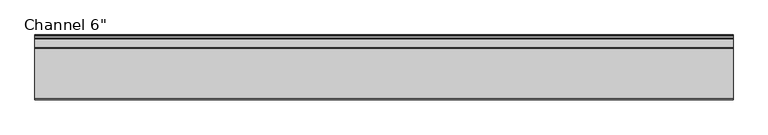
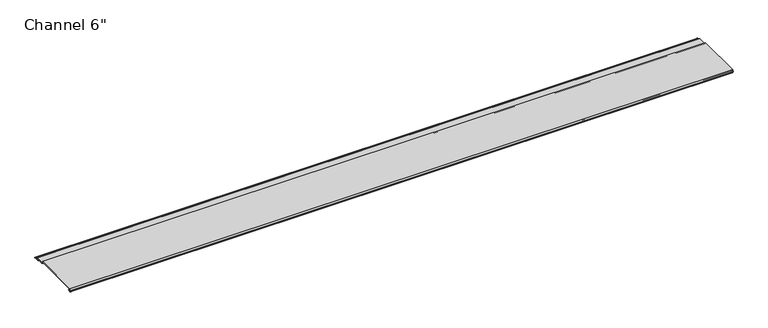
"""IFC4 building model written with IfcOpenShell, lengths in millimetres: proxy geometry."""

from ifc_helpers import new_model, si_unit, frame, origin, place, context, project, spatial, polyline, circle_curve, source, transform, mapped, element, save
from ifc_brep_helpers import plane_surface, cylinder_surface, revolved_surface, advanced_brep


def proxy_cce5d2d0(model_context):
    return source(origin(), model_context, "Body", "AdvancedBrep", [
        advanced_brep(
        [(0.0, 4.8748016, 8.2677279), (0.0, 3.9297655, 8.3107178), (0.0, 1.0903749, 8.3537076), (0.0, 0.065443, 8.3537076), (0.0, 0.065443, 9.2261945), (0.0, 2.1184419, 13.2537076), (0.0, 132.1449258, 13.2537076), (0.0, 133.9134005, 9.7843776), (0.0, 136.5861823, 8.1468156), (0.0, 158.2910449, 8.1468156), (0.0, 158.2738459, 6.6269129), (0.0, 154.1507651, 6.6268074), (0.0, 153.6162088, 5.7543198), (0.0, 154.7634478, 3.5037076), (0.0, 159.5480327, 3.5037076), (0.0, 160.305331, 2.8682589), (0.0, 166.0979176, 2.8682589), (0.0, 166.8552159, 3.5037076), (0.0, 167.8052159, 3.5037076), (0.0, 167.8052159, 1.8537076), (0.0, 153.8456734, 1.8537076), (0.0, 151.3262639, 6.7961945), (0.0, 135.5537955, 6.7961945), (0.0, 132.8207237, 8.4707369), (0.0, 131.183017, 11.6837076), (0.0, 4.9698231, 11.6837076), (0.0, 4.9454257, 9.4970429), (0.0, 6.3252986, 9.4327708), (0.0, 6.2190404, 4.8677279), (0.0, 2.2867276, 4.8677279), (0.0, 2.2368711, 6.1940104), (0.0, 4.5055344, 6.3177279), (0.0, 6.0740222, 6.3177279), (0.0, 6.0740222, 8.2677279), (1815.546, 4.8748016, 8.2677279), (1815.546, 6.0740222, 8.2677279), (1815.546, 6.0740222, 6.3177279), (1815.546, 4.5055344, 6.3177279), (1815.546, 2.2368711, 6.1940104), (1815.546, 2.2867276, 4.8677279), (1815.546, 6.2190404, 4.8677279), (1815.546, 6.3252986, 9.4327708), (1815.546, 4.9454257, 9.4970429), (1815.546, 4.9698231, 11.6837076), (1815.546, 131.183017, 11.6837076), (1815.546, 132.8207237, 8.4707369), (1815.546, 135.5537955, 6.7961945), (1815.546, 151.3262639, 6.7961945), (1815.546, 153.8456734, 1.8537076), (1815.546, 167.8052159, 1.8537076), (1815.546, 167.8052159, 3.5037076), (1815.546, 166.8552159, 3.5037076), (1815.546, 166.0979176, 2.8682589), (1815.546, 160.305331, 2.8682589), (1815.546, 159.5480327, 3.5037076), (1815.546, 154.7634478, 3.5037076), (1815.546, 153.6162088, 5.7543198), (1815.546, 154.1507651, 6.6268074), (1815.546, 158.2738459, 6.6268074), (1815.546, 158.2910449, 8.1468156), (1815.546, 136.5861823, 8.1468156), (1815.546, 133.9134005, 9.7843776), (1815.546, 132.1449258, 13.2537076), (1815.546, 2.1184419, 13.2537076), (1815.546, 0.065443, 9.2261945), (1815.546, 0.065443, 8.3537076), (1815.546, 1.0903749, 8.3537076), (1815.546, 3.9297655, 8.3107178)],
        [
            (0, 1),
            (1, 2, circle_curve(frame((0.0, 2.4847467, 6.6596487), z_axis=(1.0, 0.0, 0.0), x_axis=(0.0, 1.0, 0.0)), 2.1941076)),
            (2, 3),
            (3, 4),
            (4, 5),
            (5, 6),
            (6, 7),
            (7, 8, circle_curve(frame((0.0, 136.5861823, 11.1468156), z_axis=(1.0, 0.0, 0.0), x_axis=(0.0, 1.0, 0.0)), 3.0)),
            (8, 9),
            (9, 10, circle_curve(frame((0.0, 158.2824454, 7.3868643), z_axis=(-1.0, 0.0, 0.0), x_axis=(0.0, 1.0, 0.0)), 0.76)),
            (10, 11),
            (11, 12, circle_curve(frame((0.0, 154.1507651, 6.0268074), z_axis=(1.0, 0.0, 0.0), x_axis=(0.0, 1.0, 0.0)), 0.6)),
            (12, 13),
            (13, 14),
            (14, 15),
            (15, 16),
            (16, 17),
            (17, 18),
            (18, 19, circle_curve(frame((0.0, 167.8052159, 2.6787076), z_axis=(-1.0, 0.0, 0.0), x_axis=(0.0, 1.0, 0.0)), 0.825)),
            (19, 20),
            (20, 21),
            (21, 22),
            (22, 23, circle_curve(frame((0.0, 135.5537955, 9.8638307), z_axis=(-1.0, 0.0, 0.0), x_axis=(0.0, 1.0, 0.0)), 3.0676362)),
            (23, 24),
            (24, 25),
            (25, 26, circle_curve(frame((0.0, 4.9836004, 10.5900854), z_axis=(1.0, 0.0, 0.0), x_axis=(0.0, 1.0, 0.0)), 1.093709)),
            (26, 27),
            (27, 28, circle_curve(frame((0.0, 6.2190404, 7.151486), z_axis=(-1.0, 0.0, 0.0), x_axis=(0.0, 1.0, 0.0)), 2.2837581)),
            (28, 29),
            (29, 30, circle_curve(frame((0.0, 2.2867276, 5.5318063), z_axis=(-1.0, 0.0, 0.0), x_axis=(0.0, 1.0, 0.0)), 0.6640784)),
            (30, 31),
            (31, 32),
            (32, 33, circle_curve(frame((0.0, 6.0740222, 7.2927279), z_axis=(1.0, 0.0, 0.0), x_axis=(0.0, 1.0, 0.0)), 0.975)),
            (33, 0),
            (34, 35),
            (35, 36, circle_curve(frame((1815.546, 6.0740222, 7.2927279), z_axis=(-1.0, 0.0, 0.0), x_axis=(0.0, 1.0, 0.0)), 0.975)),
            (36, 37),
            (37, 38),
            (38, 39, circle_curve(frame((1815.546, 2.2867276, 5.5318063), z_axis=(1.0, 0.0, 0.0), x_axis=(0.0, 1.0, 0.0)), 0.6640784)),
            (39, 40),
            (40, 41, circle_curve(frame((1815.546, 6.2190404, 7.151486), z_axis=(1.0, 0.0, 0.0), x_axis=(0.0, 1.0, 0.0)), 2.2837581)),
            (41, 42),
            (42, 43, circle_curve(frame((1815.546, 4.9836004, 10.5900854), z_axis=(-1.0, 0.0, 0.0), x_axis=(0.0, 1.0, 0.0)), 1.093709)),
            (43, 44),
            (44, 45),
            (45, 46, circle_curve(frame((1815.546, 135.5537955, 9.8638307), z_axis=(1.0, 0.0, 0.0), x_axis=(0.0, 1.0, 0.0)), 3.0676362)),
            (46, 47),
            (47, 48),
            (48, 49),
            (49, 50, circle_curve(frame((1815.546, 167.8052159, 2.6787076), z_axis=(1.0, 0.0, 0.0), x_axis=(0.0, 1.0, 0.0)), 0.825)),
            (50, 51),
            (51, 52),
            (52, 53),
            (53, 54),
            (54, 55),
            (55, 56),
            (56, 57, circle_curve(frame((1815.546, 154.1507651, 6.0268074), z_axis=(-1.0, 0.0, 0.0), x_axis=(0.0, 1.0, 0.0)), 0.6)),
            (57, 58),
            (58, 59, circle_curve(frame((1815.546, 158.2824454, 7.3868643), z_axis=(1.0, 0.0, 0.0), x_axis=(0.0, 1.0, 0.0)), 0.76)),
            (59, 60),
            (60, 61, circle_curve(frame((1815.546, 136.5861823, 11.1468156), z_axis=(-1.0, 0.0, 0.0), x_axis=(0.0, 1.0, 0.0)), 3.0)),
            (61, 62),
            (62, 63),
            (63, 64),
            (64, 65),
            (65, 66),
            (66, 67, circle_curve(frame((1815.546, 2.4847467, 6.6596487), z_axis=(-1.0, 0.0, 0.0), x_axis=(0.0, 1.0, 0.0)), 2.1941076)),
            (67, 34),
            (0, 34),
            (67, 1),
            (66, 2),
            (65, 3),
            (64, 4),
            (63, 5),
            (62, 6),
            (8, 60),
            (59, 9),
            (58, 10),
            (57, 11),
            (56, 12),
            (55, 13),
            (54, 14),
            (53, 15),
            (52, 16),
            (51, 17),
            (50, 18),
            (49, 19),
            (48, 20),
            (47, 21),
            (24, 44),
            (43, 25),
            (42, 26),
            (41, 27),
            (40, 28),
            (39, 29),
            (38, 30),
            (37, 31),
            (36, 32),
            (35, 33),
            (61, 7),
            (46, 22),
            (45, 23),
        ],
        [
            plane_surface(frame((0.0, 0.0, 0.0), z_axis=(-1.0, 0.0, 0.0), x_axis=(0.0, 0.0, 1.0))),
            plane_surface(frame((1815.546, 0.0, 0.0), z_axis=(1.0, 0.0, 0.0), x_axis=(0.0, 0.0, 1.0))),
            plane_surface(frame((0.0, 4.8748016, 8.2677279), z_axis=(0.0, -0.04544319935372813, -0.9989669241934377), x_axis=(1.0, 0.0, 0.0))),
            revolved_surface(polyline([(1815.546, 4.6788543, 6.6596487), (0.0, 4.6788543, 6.6596487)]), (0.0, 2.4847467, 6.6596487), (1.0, 0.0, 0.0)),
            plane_surface(frame((0.0, 1.0903749, 8.3537076), z_axis=(0.0, 0.0, -1.0), x_axis=(1.0, 0.0, 0.0))),
            plane_surface(frame((0.0, 0.065443, 8.3537076), z_axis=(0.0, -1.0, 0.0), x_axis=(1.0, 0.0, 0.0))),
            plane_surface(frame((0.0, 0.065443, 9.2261945), z_axis=(0.0, -0.8909279044420687, 0.4541447666619799), x_axis=(1.0, 0.0, 0.0))),
            plane_surface(frame((0.0, 2.1184419, 13.2537076), z_axis=(0.0, 0.0, 1.0), x_axis=(1.0, 0.0, 0.0))),
            plane_surface(frame((0.0, 136.5861823, 8.1468156), z_axis=(0.0, 0.0, 1.0), x_axis=(1.0, 0.0, 0.0))),
            cylinder_surface(frame((0.0, 158.2824454, 7.3868643), z_axis=(-1.0, 0.0, 0.0), x_axis=(0.0, 1.0, 0.0)), 0.76),
            plane_surface(frame((0.0, 158.2738459, 6.6268074), z_axis=(0.0, 0.0, -1.0), x_axis=(1.0, 0.0, 0.0))),
            revolved_surface(polyline([(1815.546, 154.7507651, 6.0268074), (0.0, 154.7507651, 6.0268074)]), (0.0, 154.1507651, 6.0268074), (1.0, 0.0, 0.0)),
            plane_surface(frame((0.0, 153.6162088, 5.7543198), z_axis=(0.0, 0.8909272743742515, 0.4541460027084542), x_axis=(1.0, 0.0, 0.0))),
            plane_surface(frame((0.0, 154.7634478, 3.5037076), z_axis=(0.0, 0.0, 1.0), x_axis=(1.0, 0.0, 0.0))),
            plane_surface(frame((0.0, 159.5480327, 3.5037076), z_axis=(0.0, 0.6427876096865227, 0.766044443118992), x_axis=(1.0, 0.0, 0.0))),
            plane_surface(frame((0.0, 160.305331, 2.8682589), z_axis=(0.0, 0.0, 1.0), x_axis=(1.0, 0.0, 0.0))),
            plane_surface(frame((0.0, 166.0979176, 2.8682589), z_axis=(0.0, -0.6427876096865325, 0.7660444431189838), x_axis=(1.0, 0.0, 0.0))),
            plane_surface(frame((0.0, 166.8552159, 3.5037076), z_axis=(0.0, 0.0, 1.0), x_axis=(1.0, 0.0, 0.0))),
            cylinder_surface(frame((0.0, 167.8052159, 2.6787076), z_axis=(-1.0, 0.0, 0.0), x_axis=(0.0, 1.0, 0.0)), 0.825),
            plane_surface(frame((0.0, 167.8052159, 1.8537076), z_axis=(0.0, 0.0, -1.0), x_axis=(1.0, 0.0, 0.0))),
            plane_surface(frame((0.0, 153.8456734, 1.8537076), z_axis=(0.0, -0.8909272743276264, -0.45414600279992157), x_axis=(1.0, 0.0, 0.0))),
            plane_surface(frame((0.0, 131.183017, 11.6837076), z_axis=(0.0, 0.0, -1.0), x_axis=(1.0, 0.0, 0.0))),
            revolved_surface(polyline([(1815.546, 6.077309400000001, 10.5900854), (0.0, 6.077309400000001, 10.5900854)]), (0.0, 4.9836004, 10.5900854), (1.0, 0.0, 0.0)),
            plane_surface(frame((0.0, 4.9454257, 9.4970429), z_axis=(0.0, 0.04652776816327156, 0.9989169969470661), x_axis=(1.0, 0.0, 0.0))),
            cylinder_surface(frame((0.0, 6.2190404, 7.151486), z_axis=(-1.0, 0.0, 0.0), x_axis=(0.0, 1.0, 0.0)), 2.2837581),
            plane_surface(frame((0.0, 6.2190404, 4.8677279), z_axis=(0.0, 0.0, -1.0), x_axis=(1.0, 0.0, 0.0))),
            cylinder_surface(frame((0.0, 2.2867276, 5.5318063), z_axis=(-1.0, 0.0, 0.0), x_axis=(0.0, 1.0, 0.0)), 0.6640784),
            plane_surface(frame((0.0, 2.2368711, 6.1940104), z_axis=(0.0, -0.05445228147224722, 0.9985163739481027), x_axis=(1.0, 0.0, 0.0))),
            plane_surface(frame((0.0, 4.5055344, 6.3177279), z_axis=(0.0, 0.0, 1.0), x_axis=(1.0, 0.0, 0.0))),
            revolved_surface(polyline([(1815.546, 7.0490222, 7.2927279), (0.0, 7.0490222, 7.2927279)]), (0.0, 6.0740222, 7.2927279), (1.0, 0.0, 0.0)),
            plane_surface(frame((0.0, 6.0740222, 8.2677279), z_axis=(0.0, 0.0, -1.0), x_axis=(1.0, 0.0, 0.0))),
            plane_surface(frame((0.0, 132.1449258, 13.2537076), z_axis=(0.0, 0.8909272743279992, 0.4541460027991903), x_axis=(1.0, 0.0, 0.0))),
            revolved_surface(polyline([(1815.546, 139.5861823, 11.1468156), (0.0, 139.5861823, 11.1468156)]), (0.0, 136.5861823, 11.1468156), (1.0, 0.0, 0.0)),
            plane_surface(frame((0.0, 151.3262639, 6.7961945), z_axis=(0.0, 0.0, -1.0), x_axis=(1.0, 0.0, 0.0))),
            cylinder_surface(frame((0.0, 135.5537955, 9.8638307), z_axis=(-1.0, 0.0, 0.0), x_axis=(0.0, 1.0, 0.0)), 3.0676362),
            plane_surface(frame((0.0, 132.8207237, 8.4707369), z_axis=(0.0, -0.8909373855001649, -0.4541261665199778), x_axis=(1.0, 0.0, 0.0))),
        ],
        [
            (0, [[1, 2, 3, 4, 5, 6, 7, 8, 9, 10, 11, 12, 13, 14, 15, 16, 17, 18, 19, 20, 21, 22, 23, 24, 25, 26, 27, 28, 29, 30, 31, 32, 33, 34]]),
            (1, [[35, 36, 37, 38, 39, 40, 41, 42, 43, 44, 45, 46, 47, 48, 49, 50, 51, 52, 53, 54, 55, 56, 57, 58, 59, 60, 61, 62, 63, 64, 65, 66, 67, 68]]),
            (2, [[-1, 69, -68, 70]]),
            (3, [[-2, -70, -67, 71]]),
            (4, [[-3, -71, -66, 72]]),
            (5, [[-4, -72, -65, 73]]),
            (6, [[-5, -73, -64, 74]]),
            (7, [[-6, -74, -63, 75]]),
            (8, [[-9, 76, -60, 77]]),
            (9, [[-10, -77, -59, 78]]),
            (10, [[-11, -78, -58, 79]]),
            (11, [[-12, -79, -57, 80]]),
            (12, [[-13, -80, -56, 81]]),
            (13, [[-14, -81, -55, 82]]),
            (14, [[-15, -82, -54, 83]]),
            (15, [[-16, -83, -53, 84]]),
            (16, [[-17, -84, -52, 85]]),
            (17, [[-18, -85, -51, 86]]),
            (18, [[-19, -86, -50, 87]]),
            (19, [[-20, -87, -49, 88]]),
            (20, [[-21, -88, -48, 89]]),
            (21, [[-25, 90, -44, 91]]),
            (22, [[-26, -91, -43, 92]]),
            (23, [[-27, -92, -42, 93]]),
            (24, [[-28, -93, -41, 94]]),
            (25, [[-29, -94, -40, 95]]),
            (26, [[-30, -95, -39, 96]]),
            (27, [[-31, -96, -38, 97]]),
            (28, [[-32, -97, -37, 98]]),
            (29, [[-33, -98, -36, 99]]),
            (30, [[-34, -99, -35, -69]]),
            (31, [[-7, -75, -62, 100]]),
            (32, [[-8, -100, -61, -76]]),
            (33, [[-22, -89, -47, 101]]),
            (34, [[-23, -101, -46, 102]]),
            (35, [[-24, -102, -45, -90]]),
        ],
    ),
    ])


if __name__ == "__main__":
    model = new_model("IFC4")
    model_context = context("Model", 3, world=origin())
    ifc_project = project(units=[si_unit("LENGTHUNIT", "METRE", prefix="MILLI")], contexts=[model_context])
    site = spatial("IfcSite", under=ifc_project)
    building = spatial("IfcBuilding", under=site)
    placement = place(None, origin())
    proxy_shape = proxy_cce5d2d0(model_context)
    element("IfcBuildingElementProxy", 1, Name="Channel 6\"", ObjectType="Channel 6\"", at=placement, inside=building, context=model_context, shape_type="MappedRepresentation", body=[
        mapped(proxy_shape, transform((0.0, 0.0, 0.0), x_axis=(1.0, 0.0, 0.0), y_axis=(0.0, 1.0, 0.0), z_axis=(0.0, 0.0, 1.0))),
    ])
    save(model, "model.ifc")
